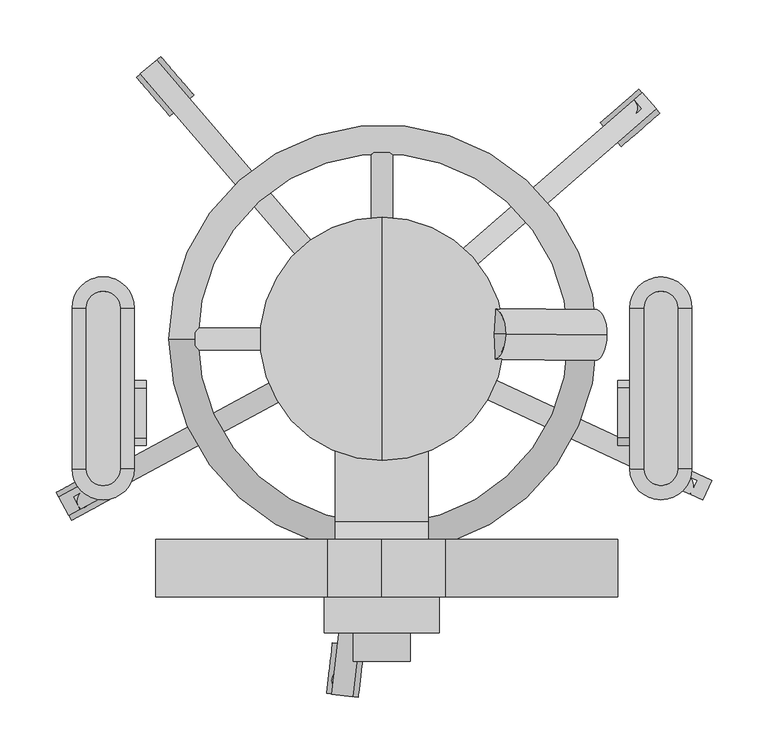
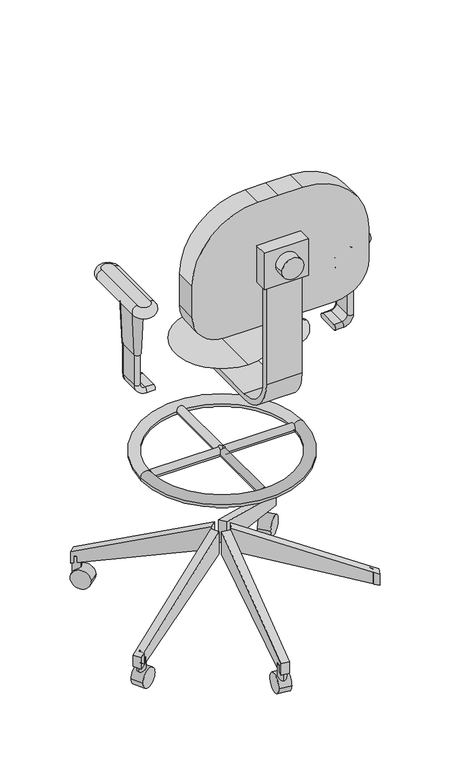
"""IFC4 building model written with IfcOpenShell, lengths in millimetres: proxy geometry."""

from ifc_helpers import new_model, si_unit, point, frame, frame_2d, origin, place, context, project, spatial, polyline, circle_curve, ellipse_curve, trimmed, segment, composite_curve, outline, extrude, source, transform, mapped, element, save
from ifc_brep_helpers import plane_surface, cylinder_surface, revolved_surface, advanced_brep


def specialty_equipment_8708bfeb(model_context):
    return source(origin(), model_context, "Body", "SolidModel", [
        extrude(outline(composite_curve([segment(trimmed(circle_curve(frame_2d((1015.740287, 0.0)), 25.4), [point((1015.740287, -25.4))], [point((1015.740287, 25.4))], False, "CARTESIAN"), True, "CONTINUOUS"), segment(trimmed(circle_curve(frame_2d((1015.740287, 0.0)), 25.4), [point((1015.740287, 25.4))], [point((1015.740287, -25.4))], False, "CARTESIAN"), True, "CONTINUOUS")], self_intersect=False)), frame((0.0, -285.75, 0.0), z_axis=(0.0, 1.0, 0.0), x_axis=(0.0, 0.0, 1.0)), (0.0, 0.0, 1.0), 25.4),
        extrude(outline(polyline([(50.8, -228.6), (50.8, -260.35), (-50.8, -260.35), (-50.8, -228.6), (50.8, -228.6)])), frame((0.0, 0.0, 966.5898112), z_axis=(0.0, 0.0, 1.0), x_axis=(1.0, 0.0, 0.0)), (0.0, 0.0, 1.0), 88.9),
        extrude(outline(composite_curve([segment(polyline([(-250.825, 966.5898112), (-238.125, 966.5898112), (-238.125, 725.2898112)]), True, "CONTINUOUS"), segment(trimmed(circle_curve(frame_2d((-161.925, 725.2898112)), 76.2), [point((-238.125, 725.2898112))], [point((-161.925, 649.0898112))], True, "CARTESIAN"), True, "CONTINUOUS"), segment(polyline([(-161.925, 649.0898112), (-22.225, 649.0898112), (-22.225, 636.3898112), (-161.925, 636.3898112)]), True, "CONTINUOUS"), segment(trimmed(circle_curve(frame_2d((-161.925, 725.2898112)), 88.9), [point((-161.925, 636.3898112))], [point((-250.825, 725.2898112))], False, "CARTESIAN"), True, "CONTINUOUS"), segment(polyline([(-250.825, 725.2898112), (-250.825, 966.5898112)]), True, "CONTINUOUS")], self_intersect=False)), frame((-41.275, 0.0, 0.0), z_axis=(1.0, 0.0, 0.0), x_axis=(0.0, 1.0, 0.0)), (0.0, 0.0, 1.0), 82.55),
        extrude(outline(composite_curve([segment(polyline([(855.4431661, -123.9377573), (855.4431661, 0.0), (855.4431661, 132.7532683)]), True, "CONTINUOUS"), segment(trimmed(circle_curve(frame_2d((931.6431661, 132.7532683)), 76.2), [point((855.4431661, 132.7532683))], [point((931.6431661, 208.9532683))], False, "CARTESIAN"), True, "CONTINUOUS"), segment(polyline([(931.6431661, 208.9532683), (1007.8431661, 208.9532683)]), True, "CONTINUOUS"), segment(trimmed(circle_curve(frame_2d((1007.8431661, 56.5532683)), 152.4), [point((1007.8431661, 208.9532683))], [point((1160.2431661, 56.5532683))], False, "CARTESIAN"), True, "CONTINUOUS"), segment(polyline([(1160.2431661, 56.5532683), (1160.2431661, 0.0), (1160.2431661, -47.7377573)]), True, "CONTINUOUS"), segment(trimmed(circle_curve(frame_2d((1007.8431661, -47.7377573)), 152.4), [point((1160.2431661, -47.7377573))], [point((1007.8431661, -200.1377573))], False, "CARTESIAN"), True, "CONTINUOUS"), segment(polyline([(1007.8431661, -200.1377573), (931.6431661, -200.1377573)]), True, "CONTINUOUS"), segment(trimmed(circle_curve(frame_2d((931.6431661, -123.9377573)), 76.2), [point((931.6431661, -200.1377573))], [point((855.4431661, -123.9377573))], False, "CARTESIAN"), True, "CONTINUOUS")], self_intersect=False)), frame((0.0, -228.6, 0.0), z_axis=(0.0, 1.0, 0.0), x_axis=(0.0, 0.0, 1.0)), (0.0, 0.0, 1.0), 50.8),
        extrude(outline(composite_curve([segment(trimmed(circle_curve(frame_2d((0.0, 396.875)), 9.525), [point((9.525, 396.875))], [point((-9.525, 396.875))], False, "CARTESIAN"), True, "CONTINUOUS"), segment(trimmed(circle_curve(frame_2d((0.0, 396.875)), 9.525), [point((-9.525, 396.875))], [point((9.525, 396.875))], False, "CARTESIAN"), True, "CONTINUOUS")], self_intersect=False)), frame((-165.282522, 0.0, 0.0), z_axis=(1.0, 0.0, 0.0), x_axis=(0.0, 1.0, 0.0)), (0.0, 0.0, 1.0), 158.75),
        extrude(outline(composite_curve([segment(trimmed(circle_curve(frame_2d((0.0, 396.875)), 9.525), [point((-9.525, 396.875))], [point((9.525, 396.875))], False, "CARTESIAN"), True, "CONTINUOUS"), segment(trimmed(circle_curve(frame_2d((0.0, 396.875)), 9.525), [point((9.525, 396.875))], [point((-9.525, 396.875))], False, "CARTESIAN"), True, "CONTINUOUS")], self_intersect=False)), frame((6.532522, 0.0, 0.0), z_axis=(1.0, 0.0, 0.0), x_axis=(0.0, 1.0, 0.0)), (0.0, 0.0, 1.0), 158.75),
        extrude(outline(composite_curve([segment(trimmed(circle_curve(frame_2d((396.875, 0.0)), 9.525), [point((396.875, -9.525))], [point((396.875, 9.525))], False, "CARTESIAN"), True, "CONTINUOUS"), segment(trimmed(circle_curve(frame_2d((396.875, 0.0)), 9.525), [point((396.875, 9.525))], [point((396.875, -9.525))], False, "CARTESIAN"), True, "CONTINUOUS")], self_intersect=False)), frame((0.0, -165.282522, 0.0), z_axis=(0.0, 1.0, 0.0), x_axis=(0.0, 0.0, 1.0)), (0.0, 0.0, 1.0), 158.75),
        extrude(outline(composite_curve([segment(trimmed(circle_curve(frame_2d((396.875, 0.0)), 9.525), [point((396.875, 9.525))], [point((396.875, -9.525))], False, "CARTESIAN"), True, "CONTINUOUS"), segment(trimmed(circle_curve(frame_2d((396.875, 0.0)), 9.525), [point((396.875, -9.525))], [point((396.875, 9.525))], False, "CARTESIAN"), True, "CONTINUOUS")], self_intersect=False)), frame((0.0, 6.532522, 0.0), z_axis=(0.0, 1.0, 0.0), x_axis=(0.0, 0.0, 1.0)), (0.0, 0.0, 1.0), 158.75),
        advanced_brep(
        [(-188.5000989, 0.0, 396.8987443), (190.5, 0.0, 396.8987443), (165.1, 0.0, 396.8987443), (-163.1000989, 0.0, 396.8987443)],
        [
            (0, 1, circle_curve(frame((0.9999506, 0.0, 396.8987443), z_axis=(0.0, 0.0, -1.0), x_axis=(1.0, 0.0, 0.0)), 189.5000494)),
            (1, 2, circle_curve(frame((177.8, 0.0, 396.8987443), z_axis=(0.0, 1.0, 0.0), x_axis=(1.0, 0.0, 0.0)), 12.7)),
            (2, 3, circle_curve(frame((0.9999506, 0.0, 396.8987443), z_axis=(0.0, 0.0, 1.0), x_axis=(1.0, 0.0, 0.0)), 164.1000494)),
            (3, 0, circle_curve(frame((-175.8000989, 0.0, 396.8987443), z_axis=(0.0, 1.0, 0.0), x_axis=(-1.0, 0.0, 0.0)), 12.7)),
            (1, 0, circle_curve(frame((0.9999506, 0.0, 396.8987443), z_axis=(0.0, 0.0, -1.0), x_axis=(1.0, 0.0, 0.0)), 189.5000494)),
            (3, 2, circle_curve(frame((0.9999506, 0.0, 396.8987443), z_axis=(0.0, 0.0, 1.0), x_axis=(1.0, 0.0, 0.0)), 164.1000494)),
            (2, 1, circle_curve(frame((177.8, 0.0, 396.8987443), z_axis=(0.0, 1.0, 0.0), x_axis=(1.0, 0.0, 0.0)), 12.7)),
            (0, 3, circle_curve(frame((-175.8000989, 0.0, 396.8987443), z_axis=(0.0, 1.0, 0.0), x_axis=(-1.0, 0.0, 0.0)), 12.7)),
        ],
        [
            revolved_surface(trimmed(ellipse_curve(frame((177.8, 0.0, 396.8987443), z_axis=(0.0, -1.0, 0.0), x_axis=(1.0, 0.0, 0.0)), 12.7, 12.7), [point((165.1, 0.0, 396.8987443))], [point((190.5, 0.0, 396.8987443))], True, "CARTESIAN"), (0.9999506, 0.0, 650.0703454), (0.0, 0.0, 1.0)),
            revolved_surface(trimmed(ellipse_curve(frame((177.8, 0.0, 396.8987443), z_axis=(0.0, -1.0, 0.0), x_axis=(1.0, 0.0, 0.0)), 12.7, 12.7), [point((190.5, 0.0, 396.8987443))], [point((165.1, 0.0, 396.8987443))], True, "CARTESIAN"), (0.9999506, 0.0, 650.0703454), (0.0, 0.0, 1.0)),
        ],
        [
            (0, [[1, 2, 3, 4]]),
            (0, [[5, -4, 6, -2]]),
            (1, [[-3, 7, -1, 8]]),
            (1, [[-6, -8, -5, -7]]),
        ],
    ),
        advanced_brep(
        [(292.020157, -125.3661944, 54.577861), (292.020157, -125.3661944, 82.1326242), (284.0380043, -142.4839762, 82.1326242), (284.0380043, -142.4839762, 54.577861), (20.8311024, 1.0913385, 158.3164474), (12.8489497, -16.0264433, 158.3164474), (12.8489497, -16.0264433, 212.7487443), (20.8311024, 1.0913385, 212.7487443), (272.4705662, -137.0899912, 87.7039917), (275.0438997, -133.7731156, 87.2978309), (272.8027095, -122.7373265, 90.2203651), (272.9598512, -122.4003351, 90.2203651), (279.320157, -125.3661944, 87.1569728), (273.606303, -137.619594, 87.1569728), (273.606303, -137.619594, 58.5683242), (272.4705662, -137.0899912, 59.0027803), (279.320157, -125.3661944, 58.5683242), (271.2704842, -121.6125703, 61.6475845), (275.0438997, -133.7731156, 58.6801972), (271.2704842, -121.6125703, 90.2203651)],
        [
            (0, 1),
            (1, 2),
            (2, 3),
            (3, 0),
            (4, 5),
            (5, 6),
            (6, 7),
            (7, 4),
            (0, 4),
            (7, 1),
            (6, 8),
            (8, 9, ellipse_curve(frame((266.4607767, -129.7707397, 91.4318259), z_axis=(0.3625792018206629, -0.16907345849670724, 0.9164881276039822), x_axis=(0.8306203267741233, -0.3873246193939933, -0.40006188516396646)), 10.333389, 9.4704283)),
            (9, 10, ellipse_curve(frame((266.4607767, -129.7707397, 91.4318259), z_axis=(0.3625792018206629, -0.16907345849670724, 0.9164881276039822), x_axis=(0.8306203267741233, -0.3873246193939933, -0.40006188516396646)), 10.333389, 9.4704283)),
            (10, 11),
            (11, 12),
            (12, 13),
            (13, 2),
            (13, 14),
            (14, 3),
            (5, 15),
            (15, 8),
            (14, 16),
            (16, 17),
            (17, 18, ellipse_curve(frame((266.4607767, -129.7707397, 61.9635194), z_axis=(-0.2968743688836678, 0.13843479172039067, -0.9448287768380342), x_axis=(0.8563056778646188, -0.3993018953098915, -0.3275646233321667)), 10.0234334, 9.4704283)),
            (18, 15, ellipse_curve(frame((266.4607767, -129.7707397, 61.9635194), z_axis=(-0.2968743688836678, 0.13843479172039067, -0.9448287768380342), x_axis=(0.8563056778646188, -0.3993018953098915, -0.3275646233321667)), 10.0234334, 9.4704283)),
            (10, 19, circle_curve(frame((266.4607767, -129.7707397, 90.2203651), z_axis=(0.0, 0.0, 1.0), x_axis=(-0.9063077870366449, 0.42261826174071043, 0.0)), 9.4704283)),
            (19, 11),
            (18, 9),
            (12, 16),
            (19, 17),
        ],
        [
            plane_surface(frame((288.0290807, -133.9250853, 68.3552426), z_axis=(0.9063077870366449, -0.42261826174071043, 0.0), x_axis=(-0.42261826174071043, -0.9063077870366449, 0.0))),
            plane_surface(frame((16.8400261, -7.4675524, 185.5325958), z_axis=(-0.9063077870366449, 0.42261826174071043, 0.0), x_axis=(-0.42261826174071043, -0.9063077870366449, 0.0))),
            plane_surface(frame((20.8311024, 1.0913385, 185.5325958), z_axis=(0.4226182617407104, 0.9063077870366448, 0.0), x_axis=(0.0, 0.0, 1.0))),
            plane_surface(frame((16.8400261, -7.4675524, 212.7487443), z_axis=(0.36257920182066294, -0.16907345849670727, 0.9164881276039825), x_axis=(-0.42261826174071043, -0.9063077870366449, 0.0))),
            plane_surface(frame((12.8489497, -16.0264433, 185.5325958), z_axis=(-0.4226182617407102, -0.906307787036645, 0.0), x_axis=(0.0, 0.0, -1.0))),
            plane_surface(frame((16.8400261, -7.4675524, 158.3164474), z_axis=(-0.29687436888366786, 0.1384347917203907, -0.9448287768380345), x_axis=(0.42261826174071043, 0.9063077870366449, 0.0))),
            plane_surface(frame((257.8776538, -125.7683637, 90.2203651), z_axis=(0.0, 0.0, -1.0), x_axis=(0.4226182617407104, 0.9063077870366449, 0.0))),
            cylinder_surface(frame((266.4607767, -129.7707397, 0.0), z_axis=(0.0, 0.0, -1.0000000000000002), x_axis=(-0.9063077870366449, 0.42261826174071043, 0.0)), 9.4704283),
            plane_surface(frame((271.3380043, -142.4839762, 90.2203651), z_axis=(-0.906307787036645, 0.42261826174071004, 0.0), x_axis=(0.0, 0.0, -1.0))),
            plane_surface(frame((279.320157, -125.3661944, 90.2203651), z_axis=(-0.4226182617407132, -0.9063077870366435, 0.0), x_axis=(0.0, 0.0, -1.0))),
        ],
        [
            (0, [[1, 2, 3, 4]]),
            (1, [[5, 6, 7, 8]]),
            (2, [[-1, 9, -8, 10]]),
            (3, [[-2, -10, -7, 11, 12, 13, 14, 15, 16, 17]]),
            (4, [[-3, -17, 18, 19]]),
            (4, [[-6, 20, 21, -11]]),
            (5, [[-4, -19, 22, 23, 24, 25, -20, -5, -9]]),
            (6, [[26, 27, -14]]),
            (7, [[28, -12, -21, -25]]),
            (8, [[29, -22, -18, -16]]),
            (9, [[-27, 30, -23, -29, -15]]),
            (7, [[-26, -13, -28, -24, -30]]),
        ],
    ),
        advanced_brep(
        [(230.7112661, 218.2510764, 54.577861), (230.7112661, 218.2510764, 82.1326242), (243.1025039, 203.9965879, 82.1326242), (243.1025039, 203.9965879, 54.577861), (4.8840356, 21.9424599, 158.3164474), (17.2752734, 7.6879714, 158.3164474), (17.2752734, 7.6879714, 212.7487443), (4.8840356, 21.9424599, 212.7487443), (223.4775169, 211.9628742, 57.900839), (223.4775169, 211.9628742, 86.3165494), (223.1860864, 211.7095375, 86.4851098), (223.1860864, 211.7095375, 58.0347138), (230.4025039, 203.9965879, 86.3165494), (223.6530469, 198.1293744, 90.2203651), (223.9520602, 210.925118, 86.4574075), (223.9520602, 210.925118, 58.012712), (223.3320855, 197.850367, 61.1487875), (230.4025039, 203.9965879, 57.900839), (223.3320855, 197.850367, 90.2203651)],
        [
            (0, 1),
            (1, 2),
            (2, 3),
            (3, 0),
            (4, 5),
            (5, 6),
            (6, 7),
            (7, 4),
            (0, 8),
            (8, 9),
            (9, 1),
            (7, 10),
            (10, 11),
            (11, 4),
            (9, 12),
            (12, 13),
            (13, 14, ellipse_curve(frame((216.8046372, 204.711958, 90.5914026), z_axis=(0.3019305374152332, 0.2624642119167779, 0.9164881276039821), x_axis=(0.6916823700631672, 0.6012703110771831, -0.40006188516396696)), 10.333389, 9.4704283)),
            (14, 10, ellipse_curve(frame((216.8046372, 204.711958, 90.5914026), z_axis=(0.3019305374152332, 0.2624642119167779, 0.9164881276039821), x_axis=(0.6916823700631672, 0.6012703110771831, -0.40006188516396696)), 10.333389, 9.4704283)),
            (6, 2),
            (5, 3),
            (11, 15, ellipse_curve(frame((216.8046372, 204.711958, 61.2960342), z_axis=(-0.24721615937085384, -0.21490172871493748, -0.9448287768380343), x_axis=(0.7130713295498402, 0.6198634498946357, -0.32756462333216607)), 10.0234334, 9.4704283)),
            (15, 16, ellipse_curve(frame((216.8046372, 204.711958, 61.2960342), z_axis=(-0.24721615937085384, -0.21490172871493748, -0.9448287768380343), x_axis=(0.7130713295498402, 0.6198634498946357, -0.32756462333216607)), 10.0234334, 9.4704283)),
            (16, 17),
            (17, 8),
            (13, 18),
            (18, 13, circle_curve(frame((216.8046372, 204.711958, 90.2203651), z_axis=(0.0, 0.0, 1.0), x_axis=(-0.7547095802227848, -0.6560590289904926, 0.0)), 9.4704283)),
            (18, 16),
            (15, 14),
            (12, 17),
        ],
        [
            plane_surface(frame((236.906885, 211.1238322, 68.3552426), z_axis=(0.7547095802227848, 0.6560590289904926, 0.0), x_axis=(0.6560590289904926, -0.7547095802227848, 0.0))),
            plane_surface(frame((11.0796545, 14.8152156, 185.5325958), z_axis=(-0.7547095802227848, -0.6560590289904926, 0.0), x_axis=(0.6560590289904926, -0.7547095802227848, 0.0))),
            plane_surface(frame((4.8840356, 21.9424599, 185.5325958), z_axis=(-0.6560590289904923, 0.7547095802227851, 0.0), x_axis=(0.0, 0.0, 1.0))),
            plane_surface(frame((11.0796545, 14.8152156, 212.7487443), z_axis=(0.30193053741523324, 0.26246421191677793, 0.9164881276039823), x_axis=(0.6560590289904926, -0.7547095802227848, 0.0))),
            plane_surface(frame((17.2752734, 7.6879714, 185.5325958), z_axis=(0.6560590289904925, -0.7547095802227849, 0.0), x_axis=(0.0, 0.0, -1.0))),
            plane_surface(frame((11.0796545, 14.8152156, 158.3164474), z_axis=(-0.24721615937085384, -0.21490172871493748, -0.9448287768380343), x_axis=(-0.6560590289904926, 0.7547095802227848, 0.0))),
            plane_surface(frame((209.6572143, 198.498798, 90.2203651), z_axis=(0.0, 0.0, -1.0), x_axis=(-0.6560590289904926, 0.7547095802227848, 0.0))),
            cylinder_surface(frame((216.8046372, 204.711958, 0.0), z_axis=(0.0, 0.0, -1.0), x_axis=(-0.7547095802227848, -0.6560590289904926, 0.0)), 9.4704283),
            plane_surface(frame((223.3320855, 197.850367, 90.2203651), z_axis=(-0.6560590289904927, 0.7547095802227848, 0.0), x_axis=(0.0, 0.0, -1.0))),
            plane_surface(frame((230.4025039, 203.9965879, 90.2203651), z_axis=(-0.7547095802227856, -0.6560590289904918, 0.0), x_axis=(0.0, 0.0, -1.0))),
        ],
        [
            (0, [[1, 2, 3, 4]]),
            (1, [[5, 6, 7, 8]]),
            (2, [[-1, 9, 10, 11]]),
            (2, [[-8, 12, 13, 14]]),
            (3, [[-2, -11, 15, 16, 17, 18, -12, -7, 19]]),
            (4, [[-3, -19, -6, 20]]),
            (5, [[-4, -20, -5, -14, 21, 22, 23, 24, -9]]),
            (6, [[25, 26]]),
            (7, [[-26, 27, -22, 28, -17]]),
            (8, [[-25, -16, 29, -23, -27]]),
            (9, [[-29, -15, -10, -24]]),
            (7, [[-28, -21, -13, -18]]),
        ],
    ),
        advanced_brep(
        [(-286.0963223, -139.7676477, 54.577861), (-277.116704, -156.3838948, 54.577861), (-277.116704, -156.3838948, 82.1326242), (-286.0963223, -139.7676477, 82.1326242), (-22.8528474, 2.4922689, 158.3164474), (-22.8528474, 2.4922689, 212.7487443), (-13.873229, -14.1239782, 212.7487443), (-13.873229, -14.1239782, 158.3164474), (-266.4401983, -150.6141837, 58.7852421), (-268.6308096, -147.907217, 58.5632805), (-265.5824972, -135.5449633, 61.5306677), (-273.3963223, -139.7676477, 58.4514075), (-267.2873255, -151.0719813, 58.4514075), (-267.2873255, -151.0719813, 87.0097642), (-266.4401983, -150.6141837, 87.4300917), (-273.3963223, -139.7676477, 87.0097642), (-266.9256834, -136.2708372, 90.2203651), (-266.7948169, -136.5129979, 90.2203651), (-268.6308096, -147.907217, 87.1506223), (-265.5824972, -135.5449633, 90.2203651)],
        [
            (0, 1),
            (1, 2),
            (2, 3),
            (3, 0),
            (4, 5),
            (5, 6),
            (6, 7),
            (7, 4),
            (0, 4),
            (7, 8),
            (8, 9, ellipse_curve(frame((-260.2991639, -143.4046962, 61.8466026), z_axis=(0.28817623412023846, 0.15573387732610194, -0.9448287768380345), x_axis=(-0.8312167413802618, -0.44919945056782457, -0.32756462333216557)), 10.0234334, 9.4704283)),
            (9, 10, ellipse_curve(frame((-260.2991639, -143.4046962, 61.8466026), z_axis=(0.28817623412023846, 0.15573387732610194, -0.9448287768380345), x_axis=(-0.8312167413802618, -0.44919945056782457, -0.32756462333216557)), 10.0234334, 9.4704283)),
            (10, 11),
            (11, 12),
            (12, 1),
            (12, 13),
            (13, 2),
            (6, 14),
            (14, 8),
            (13, 15),
            (15, 16),
            (16, 17),
            (17, 18, ellipse_curve(frame((-260.2991639, -143.4046962, 91.2846173), z_axis=(-0.35195597836182463, -0.19020121255217418, 0.9164881276039823), x_axis=(-0.8062839464840623, -0.43572547054440075, -0.40006188516396635)), 10.333389, 9.4704283)),
            (18, 14, ellipse_curve(frame((-260.2991639, -143.4046962, 91.2846173), z_axis=(-0.35195597836182463, -0.19020121255217418, 0.9164881276039823), x_axis=(-0.8062839464840623, -0.43572547054440075, -0.40006188516396635)), 10.333389, 9.4704283)),
            (5, 3),
            (16, 19),
            (19, 17, circle_curve(frame((-260.2991639, -143.4046962, 90.2203651), z_axis=(0.0, 0.0, 1.0), x_axis=(0.8797538366284874, 0.475429476302697, 0.0)), 9.4704283)),
            (19, 10),
            (9, 18),
            (15, 11),
        ],
        [
            plane_surface(frame((-281.6065132, -148.0757713, 68.3552426), z_axis=(-0.8797538366284872, -0.4754294763026976, 0.0), x_axis=(0.0, 0.0, 1.0))),
            plane_surface(frame((-18.3630382, -5.8158547, 185.5325958), z_axis=(0.8797538366284872, 0.4754294763026976, 0.0), x_axis=(0.0, 0.0, 1.0))),
            plane_surface(frame((-18.3630382, -5.8158547, 158.3164474), z_axis=(0.28817623412023846, 0.15573387732610194, -0.9448287768380345), x_axis=(0.475429476302697, -0.8797538366284874, 0.0))),
            plane_surface(frame((-13.873229, -14.1239782, 185.5325958), z_axis=(0.475429476302697, -0.8797538366284875, 0.0), x_axis=(0.0, 0.0, 1.0))),
            plane_surface(frame((-18.3630382, -5.8158547, 212.7487443), z_axis=(-0.35195597836182463, -0.19020121255217418, 0.9164881276039823), x_axis=(-0.475429476302697, 0.8797538366284874, 0.0))),
            plane_surface(frame((-22.8528474, 2.4922689, 185.5325958), z_axis=(-0.4754294763026961, 0.8797538366284879, 0.0), x_axis=(0.0, 0.0, -1.0))),
            plane_surface(frame((-251.9675183, -138.9021755, 90.2203651), z_axis=(0.0, 0.0, -1.0), x_axis=(0.475429476302697, -0.8797538366284874, 0.0))),
            cylinder_surface(frame((-260.2991639, -143.4046962, 0.0), z_axis=(0.0, 0.0, -1.0), x_axis=(0.8797538366284874, 0.475429476302697, 0.0)), 9.4704283),
            plane_surface(frame((-265.5824972, -135.5449633, 90.2203651), z_axis=(0.4754294763026969, -0.8797538366284875, 0.0), x_axis=(0.0, 0.0, -1.0))),
            plane_surface(frame((-273.3963223, -139.7676477, 90.2203651), z_axis=(0.8797538366284877, 0.47542947630269644, 0.0), x_axis=(0.0, 0.0, -1.0))),
        ],
        [
            (0, [[1, 2, 3, 4]]),
            (1, [[5, 6, 7, 8]]),
            (2, [[-1, 9, -8, 10, 11, 12, 13, 14, 15]]),
            (3, [[-2, -15, 16, 17]]),
            (3, [[-7, 18, 19, -10]]),
            (4, [[-3, -17, 20, 21, 22, 23, 24, -18, -6, 25]]),
            (5, [[-4, -25, -5, -9]]),
            (6, [[26, 27, -22]]),
            (7, [[-27, 28, -12, 29, -23]]),
            (8, [[-26, -21, 30, -13, -28]]),
            (9, [[-30, -20, -16, -14]]),
            (7, [[-29, -11, -19, -24]]),
        ],
    ),
        advanced_brep(
        [(-231.8495896, 27.4015345, 914.1959091), (-261.5828798, 27.4015345, 914.1959091), (-261.5828798, -115.049405, 914.1959091), (-231.8495896, -115.049405, 914.1959091), (-261.5828798, 27.4015345, 888.858165), (-231.8495896, 27.4015345, 888.858165), (-231.8495896, -115.049405, 888.858165), (-261.5828798, -115.049405, 888.858165)],
        [
            (0, 1, circle_curve(frame((-246.7162347, 27.4015345, 914.1959091), z_axis=(0.0, 0.0, 1.0), x_axis=(1.0, 0.0, 0.0)), 14.8666451)),
            (1, 2),
            (2, 3, circle_curve(frame((-246.7162347, -115.049405, 914.1959091), z_axis=(0.0, 0.0, 1.0), x_axis=(-1.0, 0.0, 0.0)), 14.8666451)),
            (3, 0),
            (4, 5, circle_curve(frame((-246.7162347, 27.4015345, 888.858165), z_axis=(0.0, 0.0, -1.0), x_axis=(1.0, 0.0, 0.0)), 14.8666451)),
            (5, 6),
            (6, 7, circle_curve(frame((-246.7162347, -115.049405, 888.858165), z_axis=(0.0, 0.0, -1.0), x_axis=(-1.0, 0.0, 0.0)), 14.8666451)),
            (7, 4),
            (4, 1, circle_curve(frame((-261.5828798, 27.4015345, 901.527037), z_axis=(0.0, 1.0, 0.0), x_axis=(1.0, 0.0, 0.0)), 12.668872)),
            (0, 5, circle_curve(frame((-231.8495896, 27.4015345, 901.527037), z_axis=(0.0, 1.0, 0.0), x_axis=(-1.0, 0.0, 0.0)), 12.668872)),
            (7, 2, circle_curve(frame((-261.5828798, -115.049405, 901.527037), z_axis=(0.0, 1.0, 0.0), x_axis=(1.0, 0.0, 0.0)), 12.668872)),
            (6, 3, circle_curve(frame((-231.8495896, -115.049405, 901.527037), z_axis=(0.0, -1.0, 0.0), x_axis=(-1.0, 0.0, 0.0)), 12.668872)),
        ],
        [
            plane_surface(frame((-219.079449, 27.4015345, 914.1959091), z_axis=(0.0, 0.0, 1.0), x_axis=(0.0, 1.0, 0.0))),
            plane_surface(frame((-219.079449, 27.4015345, 888.858165), z_axis=(0.0, 0.0, -1.0), x_axis=(0.0, -1.0, 0.0))),
            revolved_surface(trimmed(ellipse_curve(frame((-231.8495896, 27.4015345, 901.527037), z_axis=(0.0, -1.0, 0.0), x_axis=(-1.0, 0.0, 0.0)), 12.668872, 12.668872), [point((-231.8495896, 27.4015345, 888.858165))], [point((-231.8495896, 27.4015345, 914.1959091))], True, "CARTESIAN"), (-246.7162347, 27.4015345, 914.1959091), (0.0, 0.0, 1.0)),
            cylinder_surface(frame((-261.5828798, 27.4015345, 901.527037), z_axis=(0.0, -1.0, 0.0), x_axis=(1.0, 0.0, 0.0)), 12.668872),
            revolved_surface(trimmed(ellipse_curve(frame((-261.5828798, -115.049405, 901.527037), z_axis=(0.0, 1.0, 0.0), x_axis=(1.0, 0.0, 0.0)), 12.668872, 12.668872), [point((-261.5828798, -115.049405, 888.858165))], [point((-261.5828798, -115.049405, 914.1959091))], True, "CARTESIAN"), (-246.7162347, -115.049405, 914.1959091), (0.0, 0.0, 1.0)),
            cylinder_surface(frame((-231.8495896, -115.049405, 901.527037), z_axis=(0.0, 1.0, 0.0), x_axis=(-1.0, 0.0, 0.0)), 12.668872),
        ],
        [
            (0, [[1, 2, 3, 4]]),
            (1, [[5, 6, 7, 8]]),
            (2, [[9, -1, 10, -5]]),
            (3, [[-9, -8, 11, -2]]),
            (4, [[-11, -7, 12, -3]]),
            (5, [[-10, -4, -12, -6]]),
        ],
    ),
        advanced_brep(
        [(262.0166709, 27.4015345, 914.1959091), (232.3837813, 27.4015345, 914.1959091), (232.3837813, -115.049405, 914.1959091), (262.0166709, -115.049405, 914.1959091), (232.3837813, 27.4015345, 888.858165), (262.0166709, 27.4015345, 888.858165), (262.0166709, -115.049405, 888.858165), (232.3837813, -115.049405, 888.858165)],
        [
            (0, 1, circle_curve(frame((247.2002261, 27.4015345, 914.1959091), z_axis=(0.0, 0.0, 1.0), x_axis=(1.0, 0.0, 0.0)), 14.8164448)),
            (1, 2),
            (2, 3, circle_curve(frame((247.2002261, -115.049405, 914.1959091), z_axis=(0.0, 0.0, 1.0), x_axis=(-1.0, 0.0, 0.0)), 14.8164448)),
            (3, 0),
            (4, 5, circle_curve(frame((247.2002261, 27.4015345, 888.858165), z_axis=(0.0, 0.0, -1.0), x_axis=(1.0, 0.0, 0.0)), 14.8164448)),
            (5, 6),
            (6, 7, circle_curve(frame((247.2002261, -115.049405, 888.858165), z_axis=(0.0, 0.0, -1.0), x_axis=(-1.0, 0.0, 0.0)), 14.8164448)),
            (7, 4),
            (4, 1, circle_curve(frame((232.3837813, 27.4015345, 901.527037), z_axis=(0.0, 1.0, 0.0), x_axis=(1.0, 0.0, 0.0)), 12.668872)),
            (0, 5, circle_curve(frame((262.0166709, 27.4015345, 901.527037), z_axis=(0.0, 1.0, 0.0), x_axis=(-1.0, 0.0, 0.0)), 12.668872)),
            (7, 2, circle_curve(frame((232.3837813, -115.049405, 901.527037), z_axis=(0.0, 1.0, 0.0), x_axis=(1.0, 0.0, 0.0)), 12.668872)),
            (6, 3, circle_curve(frame((262.0166709, -115.049405, 901.527037), z_axis=(0.0, -1.0, 0.0), x_axis=(-1.0, 0.0, 0.0)), 12.668872)),
        ],
        [
            plane_surface(frame((219.5634404, -115.049405, 914.1959091), z_axis=(0.0, 0.0, 1.0), x_axis=(0.0, -1.0, 0.0))),
            plane_surface(frame((219.5634404, -115.049405, 888.858165), z_axis=(0.0, 0.0, -1.0), x_axis=(0.0, 1.0, 0.0))),
            revolved_surface(trimmed(ellipse_curve(frame((262.0166709, 27.4015345, 901.527037), z_axis=(0.0, -1.0, 0.0), x_axis=(-1.0, 0.0, 0.0)), 12.668872, 12.668872), [point((262.0166709, 27.4015345, 888.858165))], [point((262.0166709, 27.4015345, 914.1959091))], True, "CARTESIAN"), (247.2002261, 27.4015345, 914.1959091), (0.0, 0.0, 1.0)),
            cylinder_surface(frame((232.3837813, 27.4015345, 901.527037), z_axis=(0.0, -1.0, 0.0), x_axis=(1.0, 0.0, 0.0)), 12.668872),
            revolved_surface(trimmed(ellipse_curve(frame((232.3837813, -115.049405, 901.527037), z_axis=(0.0, 1.0, 0.0), x_axis=(1.0, 0.0, 0.0)), 12.668872, 12.668872), [point((232.3837813, -115.049405, 888.858165))], [point((232.3837813, -115.049405, 914.1959091))], True, "CARTESIAN"), (247.2002261, -115.049405, 914.1959091), (0.0, 0.0, 1.0)),
            cylinder_surface(frame((262.0166709, -115.049405, 901.527037), z_axis=(0.0, 1.0, 0.0), x_axis=(-1.0, 0.0, 0.0)), 12.668872),
        ],
        [
            (0, [[1, 2, 3, 4]]),
            (1, [[5, 6, 7, 8]]),
            (2, [[9, -1, 10, -5]]),
            (3, [[-9, -8, 11, -2]]),
            (4, [[-11, -7, 12, -3]]),
            (5, [[-10, -4, -12, -6]]),
        ],
    ),
        advanced_brep(
        [(-259.2692769, -43.3725061, 888.858165), (-259.2692769, -87.8225061, 888.858165), (-233.8692769, -87.8225061, 888.858165), (-233.8692769, -43.3725061, 888.858165), (-254.5067769, -43.3725061, 774.8940254), (-238.6317769, -43.3725061, 774.8940254), (-238.6317769, -87.8225061, 774.8940254), (-254.5067769, -87.8225061, 774.8940254)],
        [
            (0, 1),
            (1, 2, circle_curve(frame((-246.5692769, -87.8225061, 888.858165), z_axis=(0.0, 0.0, 1.0), x_axis=(-1.0, 0.0, 0.0)), 12.7)),
            (2, 3),
            (3, 0, circle_curve(frame((-246.5692769, -43.3725061, 888.858165), z_axis=(0.0, 0.0, 1.0), x_axis=(1.0, 0.0, 0.0)), 12.7)),
            (4, 5, circle_curve(frame((-246.5692769, -43.3725061, 774.8940254), z_axis=(0.0, 0.0, -1.0), x_axis=(1.0, 0.0, 0.0)), 7.9375)),
            (5, 6),
            (6, 7, circle_curve(frame((-246.5692769, -87.8225061, 774.8940254), z_axis=(0.0, 0.0, -1.0), x_axis=(-1.0, 0.0, 0.0)), 7.9375)),
            (7, 4),
            (7, 1),
            (0, 4),
            (6, 2),
            (5, 3),
        ],
        [
            plane_surface(frame((-246.5692769, -65.5975061, 888.858165), z_axis=(0.0, 0.0, 1.0), x_axis=(0.0, -1.0, 0.0))),
            plane_surface(frame((-246.5692769, -65.5975061, 774.8940254), z_axis=(0.0, 0.0, -1.0), x_axis=(0.0, -1.0, 0.0))),
            plane_surface(frame((-254.5067769, -65.5975061, 774.8940254), z_axis=(-0.9991279624642646, 0.0, -0.0417530193160603), x_axis=(0.0, -1.0, 0.0))),
            revolved_surface(polyline([(-238.63177690104473, -87.8225061, 774.8940254), (-233.8692769, -87.8225061, 888.858165)]), (-246.5692769, -87.8225061, 584.9537928), (0.0, 0.0, 1.0)),
            plane_surface(frame((-238.6317769, -65.5975061, 774.8940254), z_axis=(0.9991279624642643, 0.0, -0.041753019316066224), x_axis=(0.0, 1.0, 0.0))),
            revolved_surface(polyline([(-254.50677689895528, -43.3725061, 774.8940254), (-259.2692769, -43.3725061, 888.858165)]), (-246.5692769, -43.3725061, 584.9537928), (0.0, 0.0, 1.0)),
        ],
        [
            (0, [[1, 2, 3, 4]]),
            (1, [[5, 6, 7, 8]]),
            (2, [[-8, 9, -1, 10]]),
            (3, [[-7, 11, -2, -9]]),
            (4, [[-6, 12, -3, -11]]),
            (5, [[-5, -10, -4, -12]]),
        ],
    ),
        advanced_brep(
        [(-208.4692769, -43.3725061, 673.2940254), (-208.4692769, -43.3725061, 685.9940254), (-208.4692769, -87.8225061, 685.9940254), (-208.4692769, -87.8225061, 673.2940254), (-227.5192769, -43.3725061, 673.2940254), (-227.5192769, -43.3725061, 685.9940254), (-227.5192769, -87.8225061, 685.9940254), (-227.5192769, -87.8225061, 673.2940254), (-240.2192769, -43.3725061, 698.6940254), (-252.9192769, -43.3725061, 698.6940254), (-240.2192769, -87.8225061, 698.6940254), (-252.9192769, -87.8225061, 698.6940254), (-252.9192769, -43.3725061, 774.8940254), (-252.9192769, -87.8225061, 774.8940254), (-240.2192769, -87.8225061, 774.8940254), (-240.2192769, -43.3725061, 774.8940254)],
        [
            (0, 1, circle_curve(frame((-208.4692769, -43.3725061, 679.6440254), z_axis=(1.0, 0.0, 0.0), x_axis=(0.0, 0.0, 1.0)), 6.35)),
            (1, 2),
            (2, 3, circle_curve(frame((-208.4692769, -87.8225061, 679.6440254), z_axis=(1.0, 0.0, 0.0), x_axis=(0.0, 0.0, 1.0)), 6.35)),
            (3, 0),
            (0, 4),
            (4, 5, circle_curve(frame((-227.5192769, -43.3725061, 679.6440254), z_axis=(1.0, 0.0, 0.0), x_axis=(0.0, 0.0, 1.0)), 6.35)),
            (5, 1),
            (5, 6),
            (6, 2),
            (6, 7, circle_curve(frame((-227.5192769, -87.8225061, 679.6440254), z_axis=(1.0, 0.0, 0.0), x_axis=(0.0, 0.0, 1.0)), 6.35)),
            (7, 3),
            (7, 4),
            (8, 5, circle_curve(frame((-227.5192769, -43.3725061, 698.6940254), z_axis=(0.0, -1.0, 0.0), x_axis=(0.0, 0.0, -1.0)), 12.7)),
            (4, 9, circle_curve(frame((-227.5192769, -43.3725061, 698.6940254), z_axis=(0.0, 1.0, 0.0), x_axis=(0.0, 0.0, -1.0)), 25.4)),
            (9, 8, circle_curve(frame((-246.5692769, -43.3725061, 698.6940254), z_axis=(0.0, 0.0, -1.0), x_axis=(1.0, 0.0, 0.0)), 6.35)),
            (10, 6, circle_curve(frame((-227.5192769, -87.8225061, 698.6940254), z_axis=(0.0, -1.0, 0.0), x_axis=(0.0, 0.0, -1.0)), 12.7)),
            (8, 10),
            (11, 7, circle_curve(frame((-227.5192769, -87.8225061, 698.6940254), z_axis=(0.0, -1.0, 0.0), x_axis=(0.0, 0.0, -1.0)), 25.4)),
            (10, 11, circle_curve(frame((-246.5692769, -87.8225061, 698.6940254), z_axis=(0.0, 0.0, -1.0), x_axis=(1.0, 0.0, 0.0)), 6.35)),
            (11, 9),
            (12, 13),
            (13, 14, circle_curve(frame((-246.5692769, -87.8225061, 774.8940254), z_axis=(0.0, 0.0, 1.0), x_axis=(1.0, 0.0, 0.0)), 6.35)),
            (14, 15),
            (15, 12, circle_curve(frame((-246.5692769, -43.3725061, 774.8940254), z_axis=(0.0, 0.0, 1.0), x_axis=(1.0, 0.0, 0.0)), 6.35)),
            (9, 12),
            (15, 8),
            (14, 10),
            (13, 11),
        ],
        [
            plane_surface(frame((-208.4692769, -69.667478, 673.2940254), z_axis=(1.0, 0.0, 0.0), x_axis=(0.0, 1.0, 0.0))),
            cylinder_surface(frame((-208.4692769, -43.3725061, 679.6440254), z_axis=(1.0, 0.0, 0.0), x_axis=(0.0, 0.0, 1.0)), 6.35),
            plane_surface(frame((-208.4692769, -43.3725061, 685.9940254), z_axis=(0.0, 0.0, 1.0), x_axis=(-1.0, 0.0, 0.0))),
            cylinder_surface(frame((-208.4692769, -87.8225061, 679.6440254), z_axis=(1.0, 0.0, 0.0), x_axis=(0.0, 0.0, 1.0)), 6.35),
            plane_surface(frame((-208.4692769, -87.8225061, 673.2940254), z_axis=(0.0, 0.0, -1.0), x_axis=(-1.0, 0.0, 0.0))),
            revolved_surface(trimmed(ellipse_curve(frame((-227.5192769, -43.3725061, 679.6440254), z_axis=(1.0, 0.0, 0.0), x_axis=(0.0, 0.0, 1.0)), 6.35, 6.35), [point((-227.5192769, -43.3725061, 673.2940254))], [point((-227.5192769, -43.3725061, 685.9940254))], True, "CARTESIAN"), (-227.5192769, -69.667478, 698.6940254), (0.0, 1.0, 0.0)),
            revolved_surface(polyline([(-227.5192769, -43.3725061, 685.9940253999999), (-227.5192769, -87.8225061, 685.9940253999999)]), (-227.5192769, -69.667478, 698.6940254), (0.0, 1.0, 0.0)),
            revolved_surface(trimmed(ellipse_curve(frame((-227.5192769, -87.8225061, 679.6440254), z_axis=(1.0, 0.0, 0.0), x_axis=(0.0, 0.0, 1.0)), 6.35, 6.35), [point((-227.5192769, -87.8225061, 685.9940254))], [point((-227.5192769, -87.8225061, 673.2940254))], True, "CARTESIAN"), (-227.5192769, -69.667478, 698.6940254), (0.0, 1.0, 0.0)),
            cylinder_surface(frame((-227.5192769, -69.667478, 698.6940254), z_axis=(0.0, 1.0, 0.0), x_axis=(0.0, 0.0, -1.0)), 25.4),
            plane_surface(frame((-252.9192769, -69.667478, 774.8940254), z_axis=(0.0, 0.0, 1.0), x_axis=(0.0, 1.0, 0.0))),
            cylinder_surface(frame((-246.5692769, -43.3725061, 698.6940254), z_axis=(0.0, 0.0, -1.0), x_axis=(1.0, 0.0, 0.0)), 6.35),
            plane_surface(frame((-240.2192769, -43.3725061, 698.6940254), z_axis=(1.0, 0.0, 0.0), x_axis=(0.0, 0.0, 1.0))),
            cylinder_surface(frame((-246.5692769, -87.8225061, 698.6940254), z_axis=(0.0, 0.0, -1.0), x_axis=(1.0, 0.0, 0.0)), 6.35),
            plane_surface(frame((-252.9192769, -87.8225061, 698.6940254), z_axis=(-1.0, 0.0, 0.0), x_axis=(0.0, 0.0, 1.0))),
        ],
        [
            (0, [[1, 2, 3, 4]]),
            (1, [[-1, 5, 6, 7]]),
            (2, [[-2, -7, 8, 9]]),
            (3, [[-3, -9, 10, 11]]),
            (4, [[-4, -11, 12, -5]]),
            (5, [[13, -6, 14, 15]]),
            (6, [[16, -8, -13, 17]]),
            (7, [[18, -10, -16, 19]]),
            (8, [[-14, -12, -18, 20]]),
            (9, [[21, 22, 23, 24]]),
            (10, [[-15, 25, -24, 26]]),
            (11, [[-17, -26, -23, 27]]),
            (12, [[-19, -27, -22, 28]]),
            (13, [[-20, -28, -21, -25]]),
        ],
    ),
        advanced_brep(
        [(259.7532683, -43.3725061, 888.858165), (234.3532683, -43.3725061, 888.858165), (234.3532683, -87.8225061, 888.858165), (259.7532683, -87.8225061, 888.858165), (254.9907683, -43.3725061, 774.8940254), (254.9907683, -87.8225061, 774.8940254), (239.1157683, -87.8225061, 774.8940254), (239.1157683, -43.3725061, 774.8940254)],
        [
            (0, 1, circle_curve(frame((247.0532683, -43.3725061, 888.858165), z_axis=(0.0, 0.0, 1.0), x_axis=(1.0, 0.0, 0.0)), 12.7)),
            (1, 2),
            (2, 3, circle_curve(frame((247.0532683, -87.8225061, 888.858165), z_axis=(0.0, 0.0, 1.0), x_axis=(-1.0, 0.0, 0.0)), 12.7)),
            (3, 0),
            (4, 5),
            (5, 6, circle_curve(frame((247.0532683, -87.8225061, 774.8940254), z_axis=(0.0, 0.0, -1.0), x_axis=(-1.0, 0.0, 0.0)), 7.9375)),
            (6, 7),
            (7, 4, circle_curve(frame((247.0532683, -43.3725061, 774.8940254), z_axis=(0.0, 0.0, -1.0), x_axis=(1.0, 0.0, 0.0)), 7.9375)),
            (7, 1),
            (0, 4),
            (6, 2),
            (5, 3),
        ],
        [
            plane_surface(frame((247.0532683, -65.5975061, 888.858165), z_axis=(0.0, 0.0, 1.0), x_axis=(0.0, 1.0, 0.0))),
            plane_surface(frame((247.0532683, -65.5975061, 774.8940254), z_axis=(0.0, 0.0, -1.0), x_axis=(0.0, 1.0, 0.0))),
            revolved_surface(polyline([(239.11576830104474, -43.3725061, 774.8940254), (234.3532683, -43.3725061, 888.858165)]), (247.0532683, -43.3725061, 584.9537928), (0.0, 0.0, 1.0)),
            plane_surface(frame((239.1157683, -65.5975061, 774.8940254), z_axis=(-0.9991279624642644, 0.0, -0.04175301931606267), x_axis=(0.0, -1.0, 0.0))),
            revolved_surface(polyline([(254.99076829895526, -87.8225061, 774.8940254), (259.7532683, -87.8225061, 888.858165)]), (247.0532683, -87.8225061, 584.9537928), (0.0, 0.0, 1.0)),
            plane_surface(frame((254.9907683, -65.5975061, 774.8940254), z_axis=(0.9991279624642644, 0.0, -0.04175301931606267), x_axis=(0.0, 1.0, 0.0))),
        ],
        [
            (0, [[1, 2, 3, 4]]),
            (1, [[5, 6, 7, 8]]),
            (2, [[-8, 9, -1, 10]]),
            (3, [[-7, 11, -2, -9]]),
            (4, [[-6, 12, -3, -11]]),
            (5, [[-5, -10, -4, -12]]),
        ],
    ),
        advanced_brep(
        [(208.9532683, -43.3725061, 673.2940254), (208.9532683, -87.8225061, 673.2940254), (208.9532683, -87.8225061, 685.9940254), (208.9532683, -43.3725061, 685.9940254), (228.0032683, -43.3725061, 673.2940254), (228.0032683, -87.8225061, 673.2940254), (228.0032683, -87.8225061, 685.9940254), (228.0032683, -43.3725061, 685.9940254), (253.4032683, -87.8225061, 698.6940254), (253.4032683, -43.3725061, 698.6940254), (240.7032683, -87.8225061, 698.6940254), (240.7032683, -43.3725061, 698.6940254), (253.4032683, -43.3725061, 774.8940254), (240.7032683, -43.3725061, 774.8940254), (240.7032683, -87.8225061, 774.8940254), (253.4032683, -87.8225061, 774.8940254)],
        [
            (0, 1),
            (1, 2, circle_curve(frame((208.9532683, -87.8225061, 679.6440254), z_axis=(-1.0, 0.0, 0.0), x_axis=(0.0, 0.0, -1.0)), 6.35)),
            (2, 3),
            (3, 0, circle_curve(frame((208.9532683, -43.3725061, 679.6440254), z_axis=(-1.0, 0.0, 0.0), x_axis=(0.0, 0.0, -1.0)), 6.35)),
            (0, 4),
            (4, 5),
            (5, 1),
            (5, 6, circle_curve(frame((228.0032683, -87.8225061, 679.6440254), z_axis=(-1.0, 0.0, 0.0), x_axis=(0.0, 0.0, -1.0)), 6.35)),
            (6, 2),
            (6, 7),
            (7, 3),
            (7, 4, circle_curve(frame((228.0032683, -43.3725061, 679.6440254), z_axis=(-1.0, 0.0, 0.0), x_axis=(0.0, 0.0, -1.0)), 6.35)),
            (8, 5, circle_curve(frame((228.0032683, -87.8225061, 698.6940254), z_axis=(0.0, 1.0, 0.0), x_axis=(0.0, 0.0, -1.0)), 25.4)),
            (4, 9, circle_curve(frame((228.0032683, -43.3725061, 698.6940254), z_axis=(0.0, -1.0, 0.0), x_axis=(0.0, 0.0, -1.0)), 25.4)),
            (9, 8),
            (10, 6, circle_curve(frame((228.0032683, -87.8225061, 698.6940254), z_axis=(0.0, 1.0, 0.0), x_axis=(0.0, 0.0, -1.0)), 12.7)),
            (8, 10, circle_curve(frame((247.0532683, -87.8225061, 698.6940254), z_axis=(0.0, 0.0, -1.0), x_axis=(1.0, 0.0, 0.0)), 6.35)),
            (11, 7, circle_curve(frame((228.0032683, -43.3725061, 698.6940254), z_axis=(0.0, 1.0, 0.0), x_axis=(0.0, 0.0, -1.0)), 12.7)),
            (10, 11),
            (11, 9, circle_curve(frame((247.0532683, -43.3725061, 698.6940254), z_axis=(0.0, 0.0, -1.0), x_axis=(1.0, 0.0, 0.0)), 6.35)),
            (12, 13, circle_curve(frame((247.0532683, -43.3725061, 774.8940254), z_axis=(0.0, 0.0, 1.0), x_axis=(1.0, 0.0, 0.0)), 6.35)),
            (13, 14),
            (14, 15, circle_curve(frame((247.0532683, -87.8225061, 774.8940254), z_axis=(0.0, 0.0, 1.0), x_axis=(1.0, 0.0, 0.0)), 6.35)),
            (15, 12),
            (9, 12),
            (15, 8),
            (14, 10),
            (13, 11),
        ],
        [
            plane_surface(frame((208.9532683, -69.667478, 673.2940254), z_axis=(-1.0, 0.0, 0.0), x_axis=(0.0, 1.0, 0.0))),
            plane_surface(frame((208.9532683, -43.3725061, 673.2940254), z_axis=(0.0, 0.0, -1.0), x_axis=(1.0, 0.0, 0.0))),
            cylinder_surface(frame((208.9532683, -87.8225061, 679.6440254), z_axis=(-1.0, 0.0, 0.0), x_axis=(0.0, 0.0, -1.0)), 6.35),
            plane_surface(frame((208.9532683, -87.8225061, 685.9940254), z_axis=(0.0, 0.0, 1.0), x_axis=(1.0, 0.0, 0.0))),
            cylinder_surface(frame((208.9532683, -43.3725061, 679.6440254), z_axis=(-1.0, 0.0, 0.0), x_axis=(0.0, 0.0, -1.0)), 6.35),
            cylinder_surface(frame((228.0032683, -69.667478, 698.6940254), z_axis=(0.0, -1.0, 0.0), x_axis=(0.0, 0.0, -1.0)), 25.4),
            revolved_surface(trimmed(ellipse_curve(frame((228.0032683, -87.8225061, 679.6440254), z_axis=(-1.0, 0.0, 0.0), x_axis=(0.0, 0.0, -1.0)), 6.35, 6.35), [point((228.0032683, -87.8225061, 673.2940254))], [point((228.0032683, -87.8225061, 685.9940254))], True, "CARTESIAN"), (228.0032683, -69.667478, 698.6940254), (0.0, -1.0, 0.0)),
            revolved_surface(polyline([(228.0032683, -87.8225061, 685.9940253999999), (228.0032683, -43.3725061, 685.9940253999999)]), (228.0032683, -69.667478, 698.6940254), (0.0, -1.0, 0.0)),
            revolved_surface(trimmed(ellipse_curve(frame((228.0032683, -43.3725061, 679.6440254), z_axis=(-1.0, 0.0, 0.0), x_axis=(0.0, 0.0, -1.0)), 6.35, 6.35), [point((228.0032683, -43.3725061, 685.9940254))], [point((228.0032683, -43.3725061, 673.2940254))], True, "CARTESIAN"), (228.0032683, -69.667478, 698.6940254), (0.0, -1.0, 0.0)),
            plane_surface(frame((253.4032683, -69.667478, 774.8940254), z_axis=(0.0, 0.0, 1.0), x_axis=(0.0, 1.0, 0.0))),
            plane_surface(frame((253.4032683, -43.3725061, 698.6940254), z_axis=(1.0, 0.0, 0.0), x_axis=(0.0, 0.0, 1.0))),
            cylinder_surface(frame((247.0532683, -87.8225061, 698.6940254), z_axis=(0.0, 0.0, -1.0), x_axis=(1.0, 0.0, 0.0)), 6.35),
            plane_surface(frame((240.7032683, -87.8225061, 698.6940254), z_axis=(-1.0, 0.0, 0.0), x_axis=(0.0, 0.0, 1.0))),
            cylinder_surface(frame((247.0532683, -43.3725061, 698.6940254), z_axis=(0.0, 0.0, -1.0), x_axis=(1.0, 0.0, 0.0)), 6.35),
        ],
        [
            (0, [[1, 2, 3, 4]]),
            (1, [[-1, 5, 6, 7]]),
            (2, [[-2, -7, 8, 9]]),
            (3, [[-3, -9, 10, 11]]),
            (4, [[-4, -11, 12, -5]]),
            (5, [[13, -6, 14, 15]]),
            (6, [[16, -8, -13, 17]]),
            (7, [[18, -10, -16, 19]]),
            (8, [[-14, -12, -18, 20]]),
            (9, [[21, 22, 23, 24]]),
            (10, [[-15, 25, -24, 26]]),
            (11, [[-17, -26, -23, 27]]),
            (12, [[-19, -27, -22, 28]]),
            (13, [[-20, -28, -21, -25]]),
        ],
    ),
        advanced_brep(
        [(89.1011051, 4.4779039, 650.0703454), (109.5942304, 4.2792266, 690.2922587), (98.2937467, 4.3887828, 670.7183269), (178.8609939, 3.6076974, 604.3332484), (199.3541193, 3.4090201, 644.5551617), (194.6053729, 3.4550583, 621.6427961)],
        [
            (0, 1, circle_curve(frame((99.3476677, 4.3785652, 670.181302), z_axis=(-0.890964654443687, 0.008637747291877752, 0.45399049973954636), x_axis=(0.45396916603906773, -0.004401152071497773, 0.8910065241883681)), 22.5710543)),
            (1, 2),
            (2, 0),
            (1, 0, circle_curve(frame((99.3476677, 4.3785652, 670.181302), z_axis=(-0.890964654443687, 0.008637747291877752, 0.45399049973954636), x_axis=(0.45396916603906773, -0.004401152071497773, 0.8910065241883681)), 22.5710543)),
            (3, 4, circle_curve(frame((189.1075566, 3.5083587, 624.4442051), z_axis=(-0.890964654443687, 0.008637747291877752, 0.45399049973954636), x_axis=(0.45396916603906773, -0.004401152071497773, 0.8910065241883681)), 22.5710543)),
            (4, 1),
            (0, 3),
            (4, 3, circle_curve(frame((189.1075566, 3.5083587, 624.4442051), z_axis=(-0.890964654443687, 0.008637747291877752, 0.45399049973954636), x_axis=(0.45396916603906773, -0.004401152071497773, 0.8910065241883681)), 22.5710543)),
            (5, 4, circle_curve(frame((155.0770831, 3.8382782, 641.7844122), z_axis=(-0.009694370419722504, -0.9999530084869818, 0.0), x_axis=(-0.9999530084869815, 0.009694370419722504, 0.0)), 44.3657216)),
            (3, 5, circle_curve(frame((155.0770831, 3.8382782, 641.7844122), z_axis=(-0.009694370419721031, -0.9999530084869818, 0.0), x_axis=(-0.5877576313741383, 0.005698207962985933, 0.8090169943749471)), 44.3657216)),
        ],
        [
            revolved_surface(polyline([(98.2937467, 4.3887828, 670.7183269), (109.5942304, 4.2792266, 690.2922587)]), (128.1579296, 4.0992547, 655.5010506), (0.890964654443687, -0.008637747291877752, -0.45399049973954636)),
            cylinder_surface(frame((128.1579296, 4.0992547, 655.5010506), z_axis=(0.890964654443687, -0.008637747291877752, -0.45399049973954636), x_axis=(0.45396916603906773, -0.004401152071497773, 0.8910065241883681)), 22.5710543),
            revolved_surface(trimmed(ellipse_curve(frame((155.0770831, 3.8382782, 641.7844122), z_axis=(0.009694370419722504, 0.9999530084869818, 0.0), x_axis=(-0.9999530084869815, 0.009694370419722504, 0.0)), 44.3657216, 44.3657216), [point((199.3541193, 3.4090201, 644.5551617))], [point((194.6053729, 3.4550583, 621.6427961))], True, "CARTESIAN"), (128.1579296, 4.0992547, 655.5010506), (0.890964654443687, -0.008637747291877752, -0.45399049973954636)),
            revolved_surface(trimmed(ellipse_curve(frame((155.0770831, 3.8382782, 641.7844122), z_axis=(0.009694370419722506, 0.9999530084869818, 0.0), x_axis=(-0.9999530084869815, 0.009694370419722506, 0.0)), 44.3657216, 44.3657216), [point((199.3541193, 3.4090201, 644.5551617))], [point((194.6053729, 3.4550583, 621.6427961))], True, "CARTESIAN"), (128.1579296, 4.0992547, 655.5010506), (0.890964654443687, -0.008637747291877752, -0.45399049973954636)),
        ],
        [
            (0, [[1, 2, 3]]),
            (0, [[4, -3, -2]]),
            (1, [[5, 6, -1, 7]]),
            (1, [[8, -7, -4, -6]]),
            (2, [[9, -5, 10]]),
            (3, [[-10, -8, -9]]),
        ],
    ),
        advanced_brep(
        [(0.2419957, 0.182522, 673.2940254), (0.2419957, -107.767478, 673.2940254), (0.2419957, 108.132522, 673.2940254), (0.2419957, 12.882522, 628.2164474), (0.2419957, -12.517478, 628.2164474), (0.2419957, 0.182522, 628.2164474)],
        [
            (0, 1),
            (1, 2, circle_curve(frame((0.2419957, 0.182522, 673.2940254), z_axis=(0.0, 0.0, 1.0), x_axis=(0.0, -1.0, 0.0)), 107.95)),
            (2, 0),
            (2, 1, circle_curve(frame((0.2419957, 0.182522, 673.2940254), z_axis=(0.0, 0.0, 1.0), x_axis=(0.0, -1.0, 0.0)), 107.95)),
            (3, 4, circle_curve(frame((0.2419957, 0.182522, 628.2164474), z_axis=(0.0, 0.0, -1.0), x_axis=(0.0, -1.0, 0.0)), 12.7)),
            (4, 5),
            (5, 3),
            (4, 3, circle_curve(frame((0.2419957, 0.182522, 628.2164474), z_axis=(0.0, 0.0, -1.0), x_axis=(0.0, -1.0, 0.0)), 12.7)),
            (1, 4),
            (3, 2),
        ],
        [
            plane_surface(frame((0.2419957, 0.182522, 673.2940254), z_axis=(0.0, 0.0, 1.0), x_axis=(0.0, -1.0, 0.0))),
            plane_surface(frame((0.2419957, 0.182522, 628.2164474), z_axis=(0.0, 0.0, -1.0), x_axis=(0.0, -1.0, 0.0))),
            revolved_surface(polyline([(0.2419957, -12.517478, 628.2164474), (0.2419957, -107.767478, 673.2940254)]), (0.2419957, 0.182522, 628.2164474), (0.0, 0.0, 1.0)),
        ],
        [
            (0, [[1, 2, 3]]),
            (0, [[-3, 4, -1]]),
            (1, [[5, 6, 7]]),
            (1, [[8, -7, -6]]),
            (2, [[-2, 9, -5, 10]]),
            (2, [[-4, -10, -8, -9]]),
        ],
    ),
        extrude(outline(composite_curve([segment(trimmed(circle_curve(frame_2d((0.0, -22.5683942)), 22.5683942), [point((0.0, -45.1367883))], [point((0.0, 0.0))], False, "CARTESIAN"), True, "CONTINUOUS"), segment(trimmed(circle_curve(frame_2d((0.0, -22.5683942)), 22.5683942), [point((0.0, 0.0))], [point((0.0, -45.1367883))], False, "CARTESIAN"), True, "CONTINUOUS")], self_intersect=False)), frame((-15.6846721, -272.4659895, 22.3266274), z_axis=(-0.9933472984992534, 0.1151570430509366, 0.0), x_axis=(0.0, 0.0, 1.0)), (0.0, 0.0, 1.0), 28.170451),
        extrude(outline(composite_curve([segment(trimmed(circle_curve(frame_2d((-34.7582297, -302.6071314)), 9.4704283), [point((-35.8488162, -312.0145557))], [point((-33.6676432, -293.199707))], False, "CARTESIAN"), True, "CONTINUOUS"), segment(trimmed(circle_curve(frame_2d((-34.7582297, -302.6071314)), 9.4704283), [point((-33.6676432, -293.199707))], [point((-35.8488162, -312.0145557))], False, "CARTESIAN"), True, "CONTINUOUS")], self_intersect=False)), frame((0.0, 0.0, 24.010186), z_axis=(0.0, 0.0, 1.0), x_axis=(1.0, 0.0, 0.0)), (0.0, 0.0, 1.0), 49.9089859),
        extrude(outline(polyline([(-27.2161484, 0.0), (27.2161485, 0.0), (-103.3999716, -299.2240148), (-130.9547348, -299.2240148), (-27.2161484, 0.0)])), frame((8.7806625, -19.6259644, 185.5325958), z_axis=(-0.9933472984992534, 0.11515704305093587, 0.0), x_axis=(0.0, 0.0, 1.0)), (0.0, 0.0, 1.0), 18.8873825),
        extrude(outline(composite_curve([segment(trimmed(circle_curve(frame_2d((0.0, -22.5683941)), 22.5683942), [point((0.0, -45.1367883))], [point((0.0, 0.0))], False, "CARTESIAN"), True, "CONTINUOUS"), segment(trimmed(circle_curve(frame_2d((0.0, -22.5683941)), 22.5683942), [point((0.0, 0.0))], [point((0.0, -45.1367883))], False, "CARTESIAN"), True, "CONTINUOUS")], self_intersect=False)), frame((-235.0203919, -139.1062299, 22.3266274), z_axis=(-0.475429476302697, 0.8797538366284875, 0.0), x_axis=(0.0, 0.0, 1.0)), (0.0, 0.0, 1.0), 28.170451),
        extrude(outline(composite_curve([segment(trimmed(circle_curve(frame_2d((-266.6491639, -140.2296962)), 9.4704283), [point((-274.9808096, -144.732217))], [point((-258.3175183, -135.7271755))], False, "CARTESIAN"), True, "CONTINUOUS"), segment(trimmed(circle_curve(frame_2d((-266.6491639, -140.2296962)), 9.4704283), [point((-258.3175183, -135.7271755))], [point((-274.9808096, -144.732217))], False, "CARTESIAN"), True, "CONTINUOUS")], self_intersect=False)), frame((0.0, 0.0, 24.010186), z_axis=(0.0, 0.0, 1.0), x_axis=(1.0, 0.0, 0.0)), (0.0, 0.0, 1.0), 49.9089859),
        extrude(outline(composite_curve([segment(trimmed(circle_curve(frame_2d((0.0, -22.5683941)), 22.5683942), [point((0.0, -45.1367883))], [point((0.0, 0.0))], False, "CARTESIAN"), True, "CONTINUOUS"), segment(trimmed(circle_curve(frame_2d((0.0, -22.5683941)), 22.5683942), [point((0.0, 0.0))], [point((0.0, -45.1367883))], False, "CARTESIAN"), True, "CONTINUOUS")], self_intersect=False)), frame((-187.7969385, 197.7033295, 22.3266274), z_axis=(0.7591272317932002, 0.6509422754361504, 0.0), x_axis=(0.0, 0.0, 1.0)), (0.0, 0.0, 1.0), 28.170451),
        extrude(outline(composite_curve([segment(trimmed(circle_curve(frame_2d((-200.3277876, 233.6640057)), 9.4704283), [point((-206.4924898, 240.8532657))], [point((-194.1630855, 226.4747457))], False, "CARTESIAN"), True, "CONTINUOUS"), segment(trimmed(circle_curve(frame_2d((-200.3277876, 233.6640057)), 9.4704283), [point((-194.1630855, 226.4747457))], [point((-206.4924898, 240.8532657))], False, "CARTESIAN"), True, "CONTINUOUS")], self_intersect=False)), frame((0.0, 0.0, 24.010186), z_axis=(0.0, 0.0, 1.0), x_axis=(1.0, 0.0, 0.0)), (0.0, 0.0, 1.0), 49.9089859),
        extrude(outline(polyline([(-27.2161484, 0.0), (27.2161485, 0.0), (-103.3999716, -299.2240147), (-130.9547348, -299.2240147), (-27.2161484, 0.0)])), frame((-19.080879, 7.8130322, 185.5325958), z_axis=(0.7591272317932003, 0.6509422754361502, 0.0), x_axis=(0.0, 0.0, 1.0)), (0.0, 0.0, 1.0), 18.8873825),
        extrude(outline(composite_curve([segment(trimmed(circle_curve(frame_2d((0.0, -22.5683942)), 22.5683942), [point((0.0, -45.1367883))], [point((0.0, 0.0))], False, "CARTESIAN"), True, "CONTINUOUS"), segment(trimmed(circle_curve(frame_2d((0.0, -22.5683942)), 22.5683942), [point((0.0, 0.0))], [point((0.0, -45.1367883))], False, "CARTESIAN"), True, "CONTINUOUS")], self_intersect=False)), frame((212.1109688, 170.6777952, 22.3266274), z_axis=(-0.6560590289904926, 0.7547095802227848, 0.0), x_axis=(0.0, 0.0, -1.0)), (0.0, 0.0, 1.0), 28.170451),
    ])


if __name__ == "__main__":
    model = new_model("IFC4")
    model_context = context("Model", 3, world=origin())
    ifc_project = project(units=[si_unit("LENGTHUNIT", "METRE", prefix="MILLI")], contexts=[model_context])
    site = spatial("IfcSite", under=ifc_project)
    building = spatial("IfcBuilding", under=site)
    placement = place(None, origin())
    specialty_equipment_shape = specialty_equipment_8708bfeb(model_context)
    element("IfcBuildingElementProxy", 1, Name="Specialty Equipment", at=placement, inside=building, context=model_context, shape_type="MappedRepresentation", body=[
        mapped(specialty_equipment_shape, transform((0.0, 0.0, 0.0), x_axis=(1.0, 0.0, 0.0), y_axis=(0.0, 1.0, 0.0), z_axis=(0.0, 0.0, 1.0))),
    ])
    save(model, "model.ifc")
